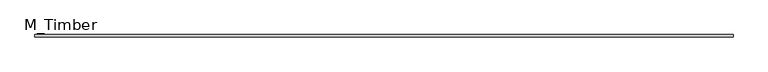
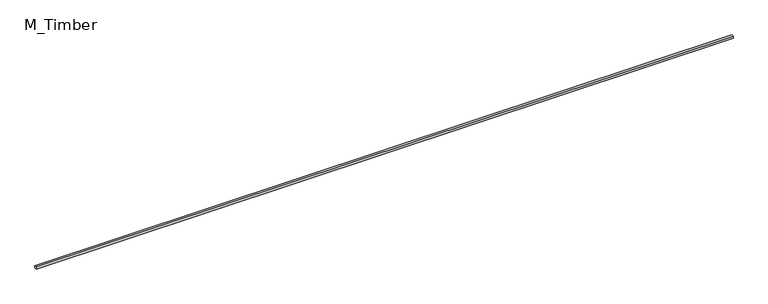
"""IFC4 building model written with IfcOpenShell, lengths in millimetres: beam geometry, M_Timber."""

from ifc_helpers import new_model, si_unit, frame, origin, place, context, project, spatial, polyline, outline, extrude, source, transform, mapped, element, save


def m_timber_d1d927a2(model_context):
    return source(origin(), model_context, "Body", "SweptSolid", [
        extrude(outline(polyline([(6292.4499981, 20.0), (6292.4499981, -20.0), (-6292.4499981, -20.0), (-6292.4499981, 20.0), (6292.4499981, 20.0)])), frame((0.0, 0.0, -20.0), z_axis=(0.0, 0.0, 1.0), x_axis=(1.0, 0.0, 0.0)), (0.0, 0.0, 1.0), 40.0),
    ])


if __name__ == "__main__":
    model = new_model("IFC4")
    model_context = context("Model", 3, world=origin())
    ifc_project = project(units=[si_unit("LENGTHUNIT", "METRE", prefix="MILLI")], contexts=[model_context])
    site = spatial("IfcSite", under=ifc_project)
    building = spatial("IfcBuilding", under=site)
    placement = place(None, origin())
    m_timber_shape = m_timber_d1d927a2(model_context)
    element("IfcBeam", 1, ObjectType="M_Timber", at=placement, inside=building, context=model_context, shape_type="MappedRepresentation", body=[
        mapped(m_timber_shape, transform((0.0, 0.0, 0.0), x_axis=(1.0, 0.0, 0.0), y_axis=(0.0, 1.0, 0.0), z_axis=(0.0, 0.0, 1.0))),
    ])
    save(model, "model.ifc")
